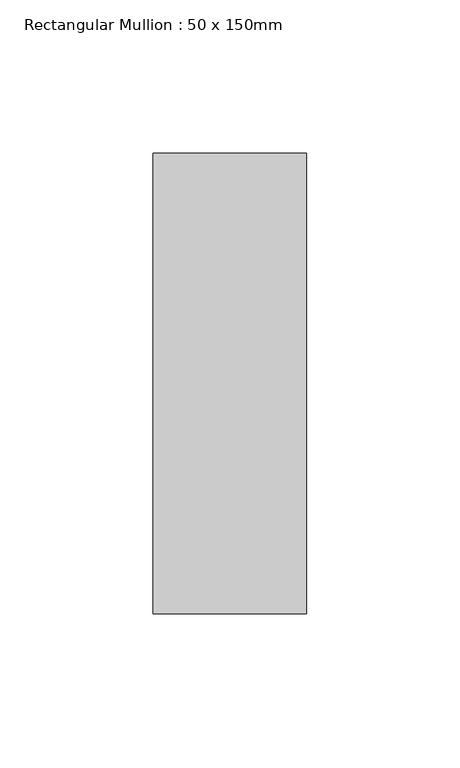
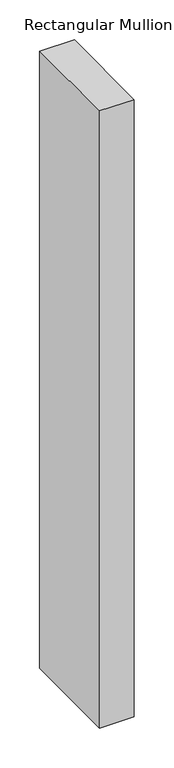
"""IFC4 building model written with IfcOpenShell, lengths in millimetres: member geometry, Rectangular Mullion : 50 x 150mm."""

from ifc_helpers import new_model, si_unit, frame, origin, place, context, project, spatial, polyline, outline, extrude, source, transform, mapped, element, save


def rectangular_mullion_50_x_150mm_953dc977(model_context):
    return source(origin(), model_context, "Body", "SweptSolid", [
        extrude(outline(polyline([(0.0, 75.0), (0.0, -75.0), (-50.0, -75.0), (-50.0, 75.0), (0.0, 75.0)])), frame((0.0, 0.0, -942.6666667), z_axis=(0.0, 0.0, 1.0), x_axis=(1.0, 0.0, 0.0)), (0.0, 0.0, 1.0), 942.6666667),
    ])


if __name__ == "__main__":
    model = new_model("IFC4")
    model_context = context("Model", 3, world=origin())
    ifc_project = project(units=[si_unit("LENGTHUNIT", "METRE", prefix="MILLI")], contexts=[model_context])
    site = spatial("IfcSite", under=ifc_project)
    building = spatial("IfcBuilding", under=site)
    placement = place(None, origin())
    rectangular_mullion_50_x_150mm_shape = rectangular_mullion_50_x_150mm_953dc977(model_context)
    element("IfcMember", 1, ObjectType="Rectangular Mullion : 50 x 150mm", at=placement, inside=building, context=model_context, shape_type="MappedRepresentation", body=[
        mapped(rectangular_mullion_50_x_150mm_shape, transform((0.0, 0.0, 0.0), x_axis=(1.0, 0.0, 0.0), y_axis=(0.0, 1.0, 0.0), z_axis=(0.0, 0.0, 1.0))),
    ])
    save(model, "model.ifc")
